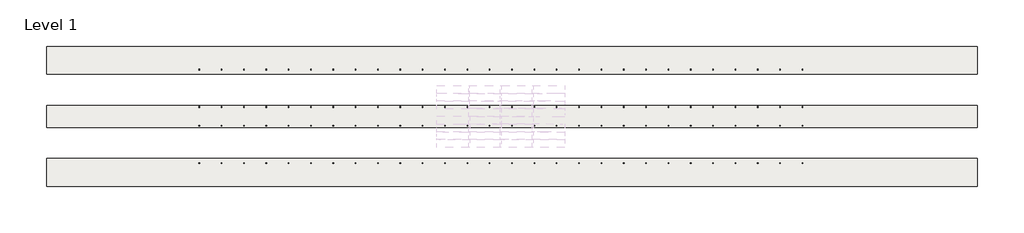
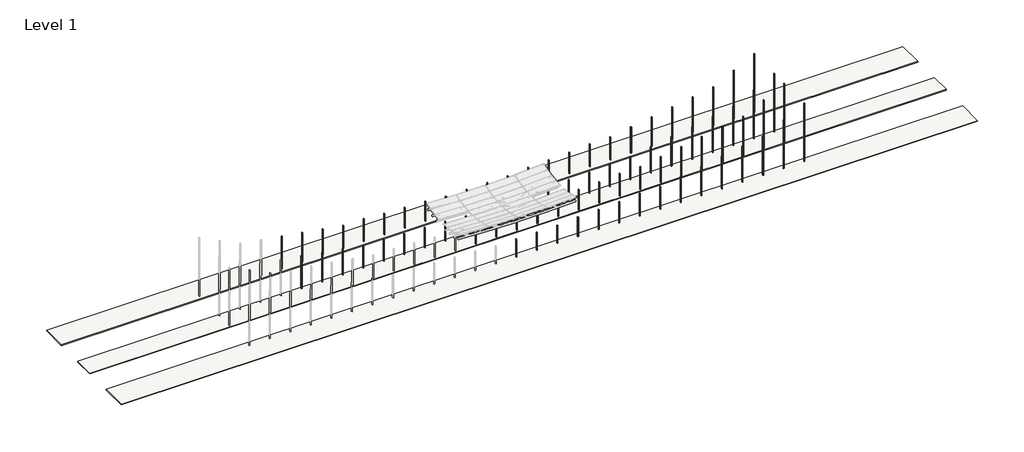
# One storey, part 2 of 2: 79 columns, 1 slab.
"""IFC4 building model written with IfcOpenShell, lengths in millimetres."""

import ifcopenshell
import ifcopenshell.guid

model = None  # the IFC model being written
_history = None  # IfcOwnerHistory: only IFC2X3 demands one
_inside = {}  # id of a spatial element -> (the spatial element, [elements in it])
_under = {}  # id of a project, library or spatial element -> (it, [spatial elements below it])
_declared = {}  # id of a project -> (the project, [libraries it declares])
_typed = {}  # id of a type object -> (the type object, [elements of that type])
_made_of = {}  # id of a material, layer set ... -> (it, [elements and type objects made of it])


def new_model(schema):
    """Start an empty IFC model of exactly this schema.

    Asked for "IFC4X3", IfcOpenShell would pick the latest addendum, in which some entities
    have other attributes; the version numbers below select the first issue.
    IFC2X3 requires an IfcOwnerHistory on every rooted entity: one is made here for all.
    """
    global model, _history
    if schema == "IFC4X3":
        model = ifcopenshell.file(schema_version=(4, 3, 0, 0))
    else:
        model = ifcopenshell.file(schema=schema)
    _inside.clear()
    _under.clear()
    _declared.clear()
    _typed.clear()
    _made_of.clear()
    _history = None
    if model.schema == "IFC2X3":
        org = make("IfcOrganization", Name="unknown")
        user = make(
            "IfcPersonAndOrganization",
            ThePerson=make("IfcPerson", FamilyName="unknown"),
            TheOrganization=org,
        )
        app = make(
            "IfcApplication",
            ApplicationDeveloper=org,
            Version="unknown",
            ApplicationFullName="unknown",
            ApplicationIdentifier="unknown",
        )
        _history = make(
            "IfcOwnerHistory",
            OwningUser=user,
            OwningApplication=app,
            ChangeAction="ADDED",
            CreationDate=0,
        )
    return model


def make(cls, **values):
    """One entity of the class cls with the attributes given. An attribute that is None is left unset."""
    return model.create_entity(
        cls, **{name: value for name, value in values.items() if value is not None}
    )


def rooted(cls, **values):
    """An entity with a GlobalId (a new one), such as an element, a storey or a relation."""
    return make(cls, GlobalId=ifcopenshell.guid.new(), OwnerHistory=_history, **values)


def si_unit(unit_type, name, prefix=None):
    """IfcSIUnit, for example si_unit("LENGTHUNIT", "METRE", prefix="MILLI")."""
    return make("IfcSIUnit", UnitType=unit_type, Prefix=prefix, Name=name)


def assignment(units):
    """IfcUnitAssignment: the units of a project."""
    return None if units is None else make("IfcUnitAssignment", Units=units)


def point(xyz):
    """IfcCartesianPoint."""
    return None if xyz is None else make("IfcCartesianPoint", Coordinates=xyz)


def direction(xyz):
    """IfcDirection."""
    return None if xyz is None else make("IfcDirection", DirectionRatios=xyz)


def frame(location, z_axis=None, x_axis=None):
    """IfcAxis2Placement3D, a coordinate frame: its origin and axes. An axis left out is left unset."""
    return make(
        "IfcAxis2Placement3D",
        Location=point(location),
        Axis=direction(z_axis),
        RefDirection=direction(x_axis),
    )


def frame_2d(location, x_axis=None):
    """IfcAxis2Placement2D, a coordinate frame in the plane: its origin and x axis."""
    return make(
        "IfcAxis2Placement2D", Location=point(location), RefDirection=direction(x_axis)
    )


def origin():
    """The frame at (0, 0, 0) with its axes left unset."""
    return frame((0.0, 0.0, 0.0))


def origin_with_axes():
    """The frame at (0, 0, 0) with the z axis (0, 0, 1) and the x axis (1, 0, 0) written out."""
    return frame((0.0, 0.0, 0.0), z_axis=(0.0, 0.0, 1.0), x_axis=(1.0, 0.0, 0.0))


def place(relative_to, where):
    """IfcLocalPlacement: puts the frame where relative to a parent placement (None: the world)."""
    return make(
        "IfcLocalPlacement", PlacementRelTo=relative_to, RelativePlacement=where
    )


def context(
    kind, dimensions, precision=None, world=None, true_north=None, identifier=None
):
    """IfcGeometricRepresentationContext, for example the 3D "Model" context."""
    return make(
        "IfcGeometricRepresentationContext",
        ContextIdentifier=identifier,
        ContextType=kind,
        CoordinateSpaceDimension=dimensions,
        Precision=precision,
        WorldCoordinateSystem=world,
        TrueNorth=true_north,
    )


def project(units=None, contexts=None):
    """IfcProject with its units and contexts."""
    return rooted(
        "IfcProject",
        Name="project",
        RepresentationContexts=contexts,
        UnitsInContext=assignment(units),
    )


def spatial(cls, under=None, at=None, **own):
    """A site, building, storey or space (cls), placed at a placement, below another one or the project."""
    s = rooted(cls, ObjectPlacement=at, **own)
    if under is not None:
        _under.setdefault(under.id(), (under, []))[1].append(s)
    return s


def polyline(points):
    """IfcPolyline through the points."""
    return make("IfcPolyline", Points=[point(p) for p in points])


def circle_curve(where, radius):
    """IfcCircle in the frame where."""
    return make("IfcCircle", Position=where, Radius=radius)


def trimmed(basis, trim1, trim2, sense, master):
    """IfcTrimmedCurve: the piece of a basis curve between two trims."""
    return make(
        "IfcTrimmedCurve",
        BasisCurve=basis,
        Trim1=trim1,
        Trim2=trim2,
        SenseAgreement=sense,
        MasterRepresentation=master,
    )


def segment(curve, same_sense, transition):
    """IfcCompositeCurveSegment."""
    return make(
        "IfcCompositeCurveSegment",
        Transition=transition,
        SameSense=same_sense,
        ParentCurve=curve,
    )


def composite_curve(segments, self_intersect=None):
    """IfcCompositeCurve: segments joined end to end."""
    return make("IfcCompositeCurve", Segments=segments, SelfIntersect=self_intersect)


def outline(outer, holes=None, kind="AREA"):
    """IfcArbitraryClosedProfileDef: a profile drawn as a closed curve; with holes, ...WithVoids."""
    if holes is None:
        return make("IfcArbitraryClosedProfileDef", ProfileType=kind, OuterCurve=outer)
    return make(
        "IfcArbitraryProfileDefWithVoids",
        ProfileType=kind,
        OuterCurve=outer,
        InnerCurves=holes,
    )


def extrude(swept, where, along, depth):
    """IfcExtrudedAreaSolid: the profile swept, set in the frame where, extruded along a direction by depth."""
    return make(
        "IfcExtrudedAreaSolid",
        SweptArea=swept,
        Position=where,
        ExtrudedDirection=direction(along),
        Depth=depth,
    )


def shape(context_of_items, identifier, shape_type, items):
    """IfcShapeRepresentation: the items that make up one representation, for example the "Body"."""
    return make(
        "IfcShapeRepresentation",
        ContextOfItems=context_of_items,
        RepresentationIdentifier=identifier,
        RepresentationType=shape_type,
        Items=items,
    )


def source(mapping_origin, context_of_items, identifier, shape_type, items):
    """IfcRepresentationMap: a shape defined once, which mapped items show again and again."""
    return make(
        "IfcRepresentationMap",
        MappingOrigin=mapping_origin,
        MappedRepresentation=shape(context_of_items, identifier, shape_type, items),
    )


def transform(
    local_origin,
    x_axis=None,
    y_axis=None,
    z_axis=None,
    scale=None,
    scale2=None,
    scale3=None,
    uniform=True,
):
    """IfcCartesianTransformationOperator3D, or its non-uniform kind. x_axis, y_axis, z_axis: its Axis1, 2, 3."""
    if uniform:
        return make(
            "IfcCartesianTransformationOperator3D",
            Axis1=direction(x_axis),
            Axis2=direction(y_axis),
            LocalOrigin=point(local_origin),
            Scale=scale,
            Axis3=direction(z_axis),
        )
    return make(
        "IfcCartesianTransformationOperator3DnonUniform",
        Axis1=direction(x_axis),
        Axis2=direction(y_axis),
        LocalOrigin=point(local_origin),
        Scale=scale,
        Axis3=direction(z_axis),
        Scale2=scale2,
        Scale3=scale3,
    )


def mapped(mapping_source, mapping_target):
    """IfcMappedItem: shows the shape of a source again, moved by a transform."""
    return make(
        "IfcMappedItem", MappingSource=mapping_source, MappingTarget=mapping_target
    )


def made_of(thing, what):
    """Note that an element or type object is made of a material, layer set ...; save() writes the relation."""
    if what is not None:
        _made_of.setdefault(what.id(), (what, []))[1].append(thing)
    return thing


def element(
    cls,
    number,
    at=None,
    inside=None,
    cuts=None,
    type_object=None,
    material=None,
    context=None,
    identifier="Body",
    shape_type=None,
    held_by="IfcProductDefinitionShape",
    body=None,
    shapes=None,
    **own,
):
    """One element of the class cls, such as IfcWall. Its Tag is "e" and its number.

    at: its placement. inside: the storey or other place that contains it. cuts: it is an
    opening in that element (IfcRelVoidsElement). A single representation is given by context,
    identifier, shape_type and body (its items); several are given by shapes. held_by: the class
    of the entity that holds the representations. save() writes the other relations.
    """
    e = rooted(cls, Tag="e%d" % number, ObjectPlacement=at, **own)
    if body is not None:
        shapes = [shape(context, identifier, shape_type, body)]
    if shapes is not None:
        e.Representation = make(held_by, Representations=shapes)
    if inside is not None:
        _inside.setdefault(inside.id(), (inside, []))[1].append(e)
    if cuts is not None:
        rooted(
            "IfcRelVoidsElement", RelatingBuildingElement=cuts, RelatedOpeningElement=e
        )
    if type_object is not None:
        _typed.setdefault(type_object.id(), (type_object, []))[1].append(e)
    return made_of(e, material)


def aggregate(whole, parts):
    """IfcRelAggregates: a whole, such as a stair, and the parts it consists of."""
    return rooted("IfcRelAggregates", RelatingObject=whole, RelatedObjects=parts)


def save(model, path):
    """Write the relations noted so far, then the file.

    IfcRelAggregates (storeys below a building ...), IfcRelContainedInSpatialStructure (elements
    in a storey), IfcRelDefinesByType, IfcRelAssociatesMaterial and IfcRelDeclares: one each for
    every whole, place, type object, material and project.
    """
    for whole, parts in _under.values():
        aggregate(whole, parts)
    for where, things in _inside.values():
        rooted(
            "IfcRelContainedInSpatialStructure",
            RelatedElements=things,
            RelatingStructure=where,
        )
    for kind, things in _typed.values():
        rooted("IfcRelDefinesByType", RelatedObjects=things, RelatingType=kind)
    for what, things in _made_of.values():
        rooted("IfcRelAssociatesMaterial", RelatedObjects=things, RelatingMaterial=what)
    for by, libraries in _declared.values():
        rooted("IfcRelDeclares", RelatingContext=by, RelatedDefinitions=libraries)
    model.write(path)


def w_shapes_column_w12x40_c7d2e5f9(model_context):
    return source(origin(), model_context, "Body", "SweptSolid", [
        extrude(outline(composite_curve([segment(polyline([(101.727, 151.13), (101.727, 138.049), (16.5735, 138.049)]), True, "CONTINUOUS"), segment(trimmed(circle_curve(frame_2d((16.5735, 125.222)), 12.827), [point((16.5735, 138.049))], [point((3.7465, 125.222))], True, "CARTESIAN"), True, "CONTINUOUS"), segment(polyline([(3.7465, 125.222), (3.7465, -125.222)]), True, "CONTINUOUS"), segment(trimmed(circle_curve(frame_2d((16.5735, -125.222)), 12.827), [point((3.7465, -125.222))], [point((16.5735, -138.049))], True, "CARTESIAN"), True, "CONTINUOUS"), segment(polyline([(16.5735, -138.049), (101.727, -138.049), (101.727, -151.13), (-101.727, -151.13), (-101.727, -138.049), (-16.5735, -138.049)]), True, "CONTINUOUS"), segment(trimmed(circle_curve(frame_2d((-16.5735, -125.222)), 12.827), [point((-16.5735, -138.049))], [point((-3.7465, -125.222))], True, "CARTESIAN"), True, "CONTINUOUS"), segment(polyline([(-3.7465, -125.222), (-3.7465, 125.222)]), True, "CONTINUOUS"), segment(trimmed(circle_curve(frame_2d((-16.5735, 125.222)), 12.827), [point((-3.7465, 125.222))], [point((-16.5735, 138.049))], True, "CARTESIAN"), True, "CONTINUOUS"), segment(polyline([(-16.5735, 138.049), (-101.727, 138.049), (-101.727, 151.13), (101.727, 151.13)]), True, "CONTINUOUS")], self_intersect=False)), origin_with_axes(), (0.0, 0.0, 1.0), 6705.6),
    ])


def w_shapes_column_w12x40_aacbec59(model_context):
    return source(origin(), model_context, "Body", "SweptSolid", [
        extrude(outline(composite_curve([segment(polyline([(101.727, 151.13), (101.727, 138.049), (16.5735, 138.049)]), True, "CONTINUOUS"), segment(trimmed(circle_curve(frame_2d((16.5735, 125.222)), 12.827), [point((16.5735, 138.049))], [point((3.7465, 125.222))], True, "CARTESIAN"), True, "CONTINUOUS"), segment(polyline([(3.7465, 125.222), (3.7465, -125.222)]), True, "CONTINUOUS"), segment(trimmed(circle_curve(frame_2d((16.5735, -125.222)), 12.827), [point((3.7465, -125.222))], [point((16.5735, -138.049))], True, "CARTESIAN"), True, "CONTINUOUS"), segment(polyline([(16.5735, -138.049), (101.727, -138.049), (101.727, -151.13), (-101.727, -151.13), (-101.727, -138.049), (-16.5735, -138.049)]), True, "CONTINUOUS"), segment(trimmed(circle_curve(frame_2d((-16.5735, -125.222)), 12.827), [point((-16.5735, -138.049))], [point((-3.7465, -125.222))], True, "CARTESIAN"), True, "CONTINUOUS"), segment(polyline([(-3.7465, -125.222), (-3.7465, 125.222)]), True, "CONTINUOUS"), segment(trimmed(circle_curve(frame_2d((-16.5735, 125.222)), 12.827), [point((-3.7465, 125.222))], [point((-16.5735, 138.049))], True, "CARTESIAN"), True, "CONTINUOUS"), segment(polyline([(-16.5735, 138.049), (-101.727, 138.049), (-101.727, 151.13), (101.727, 151.13)]), True, "CONTINUOUS")], self_intersect=False)), origin_with_axes(), (0.0, 0.0, 1.0), 18288.0),
    ])


def w_shapes_column_w12x40_a8ae053b(model_context):
    return source(origin(), model_context, "Body", "SweptSolid", [
        extrude(outline(composite_curve([segment(polyline([(101.727, 151.13), (101.727, 138.049), (16.5735, 138.049)]), True, "CONTINUOUS"), segment(trimmed(circle_curve(frame_2d((16.5735, 125.222)), 12.827), [point((16.5735, 138.049))], [point((3.7465, 125.222))], True, "CARTESIAN"), True, "CONTINUOUS"), segment(polyline([(3.7465, 125.222), (3.7465, -125.222)]), True, "CONTINUOUS"), segment(trimmed(circle_curve(frame_2d((16.5735, -125.222)), 12.827), [point((3.7465, -125.222))], [point((16.5735, -138.049))], True, "CARTESIAN"), True, "CONTINUOUS"), segment(polyline([(16.5735, -138.049), (101.727, -138.049), (101.727, -151.13), (-101.727, -151.13), (-101.727, -138.049), (-16.5735, -138.049)]), True, "CONTINUOUS"), segment(trimmed(circle_curve(frame_2d((-16.5735, -125.222)), 12.827), [point((-16.5735, -138.049))], [point((-3.7465, -125.222))], True, "CARTESIAN"), True, "CONTINUOUS"), segment(polyline([(-3.7465, -125.222), (-3.7465, 125.222)]), True, "CONTINUOUS"), segment(trimmed(circle_curve(frame_2d((-16.5735, 125.222)), 12.827), [point((-3.7465, 125.222))], [point((-16.5735, 138.049))], True, "CARTESIAN"), True, "CONTINUOUS"), segment(polyline([(-16.5735, 138.049), (-101.727, 138.049), (-101.727, 151.13), (101.727, 151.13)]), True, "CONTINUOUS")], self_intersect=False)), origin_with_axes(), (0.0, 0.0, 1.0), 21945.6),
    ])


def w_shapes_column_w12x40_5997714e(model_context):
    return source(origin(), model_context, "Body", "SweptSolid", [
        extrude(outline(composite_curve([segment(polyline([(101.727, 151.13), (101.727, 138.049), (16.5735, 138.049)]), True, "CONTINUOUS"), segment(trimmed(circle_curve(frame_2d((16.5735, 125.222)), 12.827), [point((16.5735, 138.049))], [point((3.7465, 125.222))], True, "CARTESIAN"), True, "CONTINUOUS"), segment(polyline([(3.7465, 125.222), (3.7465, -125.222)]), True, "CONTINUOUS"), segment(trimmed(circle_curve(frame_2d((16.5735, -125.222)), 12.827), [point((3.7465, -125.222))], [point((16.5735, -138.049))], True, "CARTESIAN"), True, "CONTINUOUS"), segment(polyline([(16.5735, -138.049), (101.727, -138.049), (101.727, -151.13), (-101.727, -151.13), (-101.727, -138.049), (-16.5735, -138.049)]), True, "CONTINUOUS"), segment(trimmed(circle_curve(frame_2d((-16.5735, -125.222)), 12.827), [point((-16.5735, -138.049))], [point((-3.7465, -125.222))], True, "CARTESIAN"), True, "CONTINUOUS"), segment(polyline([(-3.7465, -125.222), (-3.7465, 125.222)]), True, "CONTINUOUS"), segment(trimmed(circle_curve(frame_2d((-16.5735, 125.222)), 12.827), [point((-3.7465, 125.222))], [point((-16.5735, 138.049))], True, "CARTESIAN"), True, "CONTINUOUS"), segment(polyline([(-16.5735, 138.049), (-101.727, 138.049), (-101.727, 151.13), (101.727, 151.13)]), True, "CONTINUOUS")], self_intersect=False)), origin_with_axes(), (0.0, 0.0, 1.0), 14630.4),
    ])


def w_shapes_column_w12x40_0a07f558(model_context):
    return source(origin(), model_context, "Body", "SweptSolid", [
        extrude(outline(composite_curve([segment(polyline([(101.727, 151.13), (101.727, 138.049), (16.5735, 138.049)]), True, "CONTINUOUS"), segment(trimmed(circle_curve(frame_2d((16.5735, 125.222)), 12.827), [point((16.5735, 138.049))], [point((3.7465, 125.222))], True, "CARTESIAN"), True, "CONTINUOUS"), segment(polyline([(3.7465, 125.222), (3.7465, -125.222)]), True, "CONTINUOUS"), segment(trimmed(circle_curve(frame_2d((16.5735, -125.222)), 12.827), [point((3.7465, -125.222))], [point((16.5735, -138.049))], True, "CARTESIAN"), True, "CONTINUOUS"), segment(polyline([(16.5735, -138.049), (101.727, -138.049), (101.727, -151.13), (-101.727, -151.13), (-101.727, -138.049), (-16.5735, -138.049)]), True, "CONTINUOUS"), segment(trimmed(circle_curve(frame_2d((-16.5735, -125.222)), 12.827), [point((-16.5735, -138.049))], [point((-3.7465, -125.222))], True, "CARTESIAN"), True, "CONTINUOUS"), segment(polyline([(-3.7465, -125.222), (-3.7465, 125.222)]), True, "CONTINUOUS"), segment(trimmed(circle_curve(frame_2d((-16.5735, 125.222)), 12.827), [point((-3.7465, 125.222))], [point((-16.5735, 138.049))], True, "CARTESIAN"), True, "CONTINUOUS"), segment(polyline([(-16.5735, 138.049), (-101.727, 138.049), (-101.727, 151.13), (101.727, 151.13)]), True, "CONTINUOUS")], self_intersect=False)), origin_with_axes(), (0.0, 0.0, 1.0), 13411.2),
    ])


def w_shapes_column_w12x40_c5b3876a(model_context):
    return source(origin(), model_context, "Body", "SweptSolid", [
        extrude(outline(composite_curve([segment(polyline([(101.727, 151.13), (101.727, 138.049), (16.5735, 138.049)]), True, "CONTINUOUS"), segment(trimmed(circle_curve(frame_2d((16.5735, 125.222)), 12.827), [point((16.5735, 138.049))], [point((3.7465, 125.222))], True, "CARTESIAN"), True, "CONTINUOUS"), segment(polyline([(3.7465, 125.222), (3.7465, -125.222)]), True, "CONTINUOUS"), segment(trimmed(circle_curve(frame_2d((16.5735, -125.222)), 12.827), [point((3.7465, -125.222))], [point((16.5735, -138.049))], True, "CARTESIAN"), True, "CONTINUOUS"), segment(polyline([(16.5735, -138.049), (101.727, -138.049), (101.727, -151.13), (-101.727, -151.13), (-101.727, -138.049), (-16.5735, -138.049)]), True, "CONTINUOUS"), segment(trimmed(circle_curve(frame_2d((-16.5735, -125.222)), 12.827), [point((-16.5735, -138.049))], [point((-3.7465, -125.222))], True, "CARTESIAN"), True, "CONTINUOUS"), segment(polyline([(-3.7465, -125.222), (-3.7465, 125.222)]), True, "CONTINUOUS"), segment(trimmed(circle_curve(frame_2d((-16.5735, 125.222)), 12.827), [point((-3.7465, 125.222))], [point((-16.5735, 138.049))], True, "CARTESIAN"), True, "CONTINUOUS"), segment(polyline([(-16.5735, 138.049), (-101.727, 138.049), (-101.727, 151.13), (101.727, 151.13)]), True, "CONTINUOUS")], self_intersect=False)), origin_with_axes(), (0.0, 0.0, 1.0), 12192.0),
    ])


def w_shapes_column_w12x40_af90b8c6(model_context):
    return source(origin(), model_context, "Body", "SweptSolid", [
        extrude(outline(composite_curve([segment(polyline([(101.727, 151.13), (101.727, 138.049), (16.5735, 138.049)]), True, "CONTINUOUS"), segment(trimmed(circle_curve(frame_2d((16.5735, 125.222)), 12.827), [point((16.5735, 138.049))], [point((3.7465, 125.222))], True, "CARTESIAN"), True, "CONTINUOUS"), segment(polyline([(3.7465, 125.222), (3.7465, -125.222)]), True, "CONTINUOUS"), segment(trimmed(circle_curve(frame_2d((16.5735, -125.222)), 12.827), [point((3.7465, -125.222))], [point((16.5735, -138.049))], True, "CARTESIAN"), True, "CONTINUOUS"), segment(polyline([(16.5735, -138.049), (101.727, -138.049), (101.727, -151.13), (-101.727, -151.13), (-101.727, -138.049), (-16.5735, -138.049)]), True, "CONTINUOUS"), segment(trimmed(circle_curve(frame_2d((-16.5735, -125.222)), 12.827), [point((-16.5735, -138.049))], [point((-3.7465, -125.222))], True, "CARTESIAN"), True, "CONTINUOUS"), segment(polyline([(-3.7465, -125.222), (-3.7465, 125.222)]), True, "CONTINUOUS"), segment(trimmed(circle_curve(frame_2d((-16.5735, 125.222)), 12.827), [point((-3.7465, 125.222))], [point((-16.5735, 138.049))], True, "CARTESIAN"), True, "CONTINUOUS"), segment(polyline([(-16.5735, 138.049), (-101.727, 138.049), (-101.727, 151.13), (101.727, 151.13)]), True, "CONTINUOUS")], self_intersect=False)), origin_with_axes(), (0.0, 0.0, 1.0), 10972.8),
    ])


def w_shapes_column_w12x40_78ebb36d(model_context):
    return source(origin(), model_context, "Body", "SweptSolid", [
        extrude(outline(composite_curve([segment(polyline([(101.727, 151.13), (101.727, 138.049), (16.5735, 138.049)]), True, "CONTINUOUS"), segment(trimmed(circle_curve(frame_2d((16.5735, 125.222)), 12.827), [point((16.5735, 138.049))], [point((3.7465, 125.222))], True, "CARTESIAN"), True, "CONTINUOUS"), segment(polyline([(3.7465, 125.222), (3.7465, -125.222)]), True, "CONTINUOUS"), segment(trimmed(circle_curve(frame_2d((16.5735, -125.222)), 12.827), [point((3.7465, -125.222))], [point((16.5735, -138.049))], True, "CARTESIAN"), True, "CONTINUOUS"), segment(polyline([(16.5735, -138.049), (101.727, -138.049), (101.727, -151.13), (-101.727, -151.13), (-101.727, -138.049), (-16.5735, -138.049)]), True, "CONTINUOUS"), segment(trimmed(circle_curve(frame_2d((-16.5735, -125.222)), 12.827), [point((-16.5735, -138.049))], [point((-3.7465, -125.222))], True, "CARTESIAN"), True, "CONTINUOUS"), segment(polyline([(-3.7465, -125.222), (-3.7465, 125.222)]), True, "CONTINUOUS"), segment(trimmed(circle_curve(frame_2d((-16.5735, 125.222)), 12.827), [point((-3.7465, 125.222))], [point((-16.5735, 138.049))], True, "CARTESIAN"), True, "CONTINUOUS"), segment(polyline([(-16.5735, 138.049), (-101.727, 138.049), (-101.727, 151.13), (101.727, 151.13)]), True, "CONTINUOUS")], self_intersect=False)), origin_with_axes(), (0.0, 0.0, 1.0), 8534.4),
    ])


def w_shapes_column_w12x40_ec37d06b(model_context):
    return source(origin(), model_context, "Body", "SweptSolid", [
        extrude(outline(composite_curve([segment(polyline([(101.727, 151.13), (101.727, 138.049), (16.5735, 138.049)]), True, "CONTINUOUS"), segment(trimmed(circle_curve(frame_2d((16.5735, 125.222)), 12.827), [point((16.5735, 138.049))], [point((3.7465, 125.222))], True, "CARTESIAN"), True, "CONTINUOUS"), segment(polyline([(3.7465, 125.222), (3.7465, -125.222)]), True, "CONTINUOUS"), segment(trimmed(circle_curve(frame_2d((16.5735, -125.222)), 12.827), [point((3.7465, -125.222))], [point((16.5735, -138.049))], True, "CARTESIAN"), True, "CONTINUOUS"), segment(polyline([(16.5735, -138.049), (101.727, -138.049), (101.727, -151.13), (-101.727, -151.13), (-101.727, -138.049), (-16.5735, -138.049)]), True, "CONTINUOUS"), segment(trimmed(circle_curve(frame_2d((-16.5735, -125.222)), 12.827), [point((-16.5735, -138.049))], [point((-3.7465, -125.222))], True, "CARTESIAN"), True, "CONTINUOUS"), segment(polyline([(-3.7465, -125.222), (-3.7465, 125.222)]), True, "CONTINUOUS"), segment(trimmed(circle_curve(frame_2d((-16.5735, 125.222)), 12.827), [point((-3.7465, 125.222))], [point((-16.5735, 138.049))], True, "CARTESIAN"), True, "CONTINUOUS"), segment(polyline([(-16.5735, 138.049), (-101.727, 138.049), (-101.727, 151.13), (101.727, 151.13)]), True, "CONTINUOUS")], self_intersect=False)), origin_with_axes(), (0.0, 0.0, 1.0), 7924.8),
    ])


def w_shapes_column_w12x40_58104528(model_context):
    return source(origin(), model_context, "Body", "SweptSolid", [
        extrude(outline(composite_curve([segment(polyline([(101.727, 151.13), (101.727, 138.049), (16.5735, 138.049)]), True, "CONTINUOUS"), segment(trimmed(circle_curve(frame_2d((16.5735, 125.222)), 12.827), [point((16.5735, 138.049))], [point((3.7465, 125.222))], True, "CARTESIAN"), True, "CONTINUOUS"), segment(polyline([(3.7465, 125.222), (3.7465, -125.222)]), True, "CONTINUOUS"), segment(trimmed(circle_curve(frame_2d((16.5735, -125.222)), 12.827), [point((3.7465, -125.222))], [point((16.5735, -138.049))], True, "CARTESIAN"), True, "CONTINUOUS"), segment(polyline([(16.5735, -138.049), (101.727, -138.049), (101.727, -151.13), (-101.727, -151.13), (-101.727, -138.049), (-16.5735, -138.049)]), True, "CONTINUOUS"), segment(trimmed(circle_curve(frame_2d((-16.5735, -125.222)), 12.827), [point((-16.5735, -138.049))], [point((-3.7465, -125.222))], True, "CARTESIAN"), True, "CONTINUOUS"), segment(polyline([(-3.7465, -125.222), (-3.7465, 125.222)]), True, "CONTINUOUS"), segment(trimmed(circle_curve(frame_2d((-16.5735, 125.222)), 12.827), [point((-3.7465, 125.222))], [point((-16.5735, 138.049))], True, "CARTESIAN"), True, "CONTINUOUS"), segment(polyline([(-16.5735, 138.049), (-101.727, 138.049), (-101.727, 151.13), (101.727, 151.13)]), True, "CONTINUOUS")], self_intersect=False)), origin_with_axes(), (0.0, 0.0, 1.0), 7620.0),
    ])


def w_shapes_column_w12x40_e775c8ed(model_context):
    return source(origin(), model_context, "Body", "SweptSolid", [
        extrude(outline(composite_curve([segment(polyline([(101.727, 151.13), (101.727, 138.049), (16.5735, 138.049)]), True, "CONTINUOUS"), segment(trimmed(circle_curve(frame_2d((16.5735, 125.222)), 12.827), [point((16.5735, 138.049))], [point((3.7465, 125.222))], True, "CARTESIAN"), True, "CONTINUOUS"), segment(polyline([(3.7465, 125.222), (3.7465, -125.222)]), True, "CONTINUOUS"), segment(trimmed(circle_curve(frame_2d((16.5735, -125.222)), 12.827), [point((3.7465, -125.222))], [point((16.5735, -138.049))], True, "CARTESIAN"), True, "CONTINUOUS"), segment(polyline([(16.5735, -138.049), (101.727, -138.049), (101.727, -151.13), (-101.727, -151.13), (-101.727, -138.049), (-16.5735, -138.049)]), True, "CONTINUOUS"), segment(trimmed(circle_curve(frame_2d((-16.5735, -125.222)), 12.827), [point((-16.5735, -138.049))], [point((-3.7465, -125.222))], True, "CARTESIAN"), True, "CONTINUOUS"), segment(polyline([(-3.7465, -125.222), (-3.7465, 125.222)]), True, "CONTINUOUS"), segment(trimmed(circle_curve(frame_2d((-16.5735, 125.222)), 12.827), [point((-3.7465, 125.222))], [point((-16.5735, 138.049))], True, "CARTESIAN"), True, "CONTINUOUS"), segment(polyline([(-16.5735, 138.049), (-101.727, 138.049), (-101.727, 151.13), (101.727, 151.13)]), True, "CONTINUOUS")], self_intersect=False)), origin_with_axes(), (0.0, 0.0, 1.0), 9753.6),
    ])


def w_shapes_column_w12x40_c3d6108f(model_context):
    return source(origin(), model_context, "Body", "SweptSolid", [
        extrude(outline(composite_curve([segment(polyline([(101.727, 151.13), (101.727, 138.049), (16.5735, 138.049)]), True, "CONTINUOUS"), segment(trimmed(circle_curve(frame_2d((16.5735, 125.222)), 12.827), [point((16.5735, 138.049))], [point((3.7465, 125.222))], True, "CARTESIAN"), True, "CONTINUOUS"), segment(polyline([(3.7465, 125.222), (3.7465, -125.222)]), True, "CONTINUOUS"), segment(trimmed(circle_curve(frame_2d((16.5735, -125.222)), 12.827), [point((3.7465, -125.222))], [point((16.5735, -138.049))], True, "CARTESIAN"), True, "CONTINUOUS"), segment(polyline([(16.5735, -138.049), (101.727, -138.049), (101.727, -151.13), (-101.727, -151.13), (-101.727, -138.049), (-16.5735, -138.049)]), True, "CONTINUOUS"), segment(trimmed(circle_curve(frame_2d((-16.5735, -125.222)), 12.827), [point((-16.5735, -138.049))], [point((-3.7465, -125.222))], True, "CARTESIAN"), True, "CONTINUOUS"), segment(polyline([(-3.7465, -125.222), (-3.7465, 125.222)]), True, "CONTINUOUS"), segment(trimmed(circle_curve(frame_2d((-16.5735, 125.222)), 12.827), [point((-3.7465, 125.222))], [point((-16.5735, 138.049))], True, "CARTESIAN"), True, "CONTINUOUS"), segment(polyline([(-16.5735, 138.049), (-101.727, 138.049), (-101.727, 151.13), (101.727, 151.13)]), True, "CONTINUOUS")], self_intersect=False)), origin_with_axes(), (0.0, 0.0, 1.0), 7315.2),
    ])


model = new_model("IFC4")

# Units and contexts
model_context = context("Model", 3, world=origin())
ifc_project = project(units=[si_unit("LENGTHUNIT", "METRE", prefix="MILLI")], contexts=[model_context])

# Site, building, storey
site = spatial("IfcSite", under=ifc_project)
building = spatial("IfcBuilding", under=site)
storey = spatial("IfcBuildingStorey", under=building, Name="Level 1", Elevation=0.0)

# Columns
placement = place(None, origin())
w_shapes_column_w12x40_shape = w_shapes_column_w12x40_c7d2e5f9(model_context)
element("IfcColumn", 1, ObjectType="W Shapes-Column : W12X40", at=placement, inside=storey, context=model_context, shape_type="MappedRepresentation", body=[
    mapped(w_shapes_column_w12x40_shape, transform((-66668.8875871, 45371.5809068, 0.0), x_axis=(1.0, 0.0, 0.0), y_axis=(0.0, 1.0, 0.0), z_axis=(0.0, 0.0, 1.0))),
])
element("IfcColumn", 2, ObjectType="W Shapes-Column : W12X40", at=placement, inside=storey, context=model_context, shape_type="MappedRepresentation", body=[
    mapped(w_shapes_column_w12x40_shape, transform((-59353.6875871, 45371.5809068, 0.0), x_axis=(1.0, 0.0, 0.0), y_axis=(0.0, 1.0, 0.0), z_axis=(0.0, 0.0, 1.0))),
])
element("IfcColumn", 3, ObjectType="W Shapes-Column : W12X40", at=placement, inside=storey, context=model_context, shape_type="MappedRepresentation", body=[
    mapped(w_shapes_column_w12x40_shape, transform((-52038.4875871, 45371.5809068, 0.0), x_axis=(1.0, 0.0, 0.0), y_axis=(0.0, 1.0, 0.0), z_axis=(0.0, 0.0, 1.0))),
])
element("IfcColumn", 4, ObjectType="W Shapes-Column : W12X40", at=placement, inside=storey, context=model_context, shape_type="MappedRepresentation", body=[
    mapped(w_shapes_column_w12x40_shape, transform((-44723.2875871, 45371.5809068, 0.0), x_axis=(1.0, 0.0, 0.0), y_axis=(0.0, 1.0, 0.0), z_axis=(0.0, 0.0, 1.0))),
])
element("IfcColumn", 5, ObjectType="W Shapes-Column : W12X40", at=placement, inside=storey, context=model_context, shape_type="MappedRepresentation", body=[
    mapped(w_shapes_column_w12x40_shape, transform((-66668.8875871, 33077.9809068, 0.0), x_axis=(1.0, 0.0, 0.0), y_axis=(0.0, 1.0, 0.0), z_axis=(0.0, 0.0, 1.0))),
])
element("IfcColumn", 6, ObjectType="W Shapes-Column : W12X40", at=placement, inside=storey, context=model_context, shape_type="MappedRepresentation", body=[
    mapped(w_shapes_column_w12x40_shape, transform((-59353.6875871, 33077.9809068, 0.0), x_axis=(1.0, 0.0, 0.0), y_axis=(0.0, 1.0, 0.0), z_axis=(0.0, 0.0, 1.0))),
])
element("IfcColumn", 7, ObjectType="W Shapes-Column : W12X40", at=placement, inside=storey, context=model_context, shape_type="MappedRepresentation", body=[
    mapped(w_shapes_column_w12x40_shape, transform((-52038.4875871, 33077.9809068, 0.0), x_axis=(1.0, 0.0, 0.0), y_axis=(0.0, 1.0, 0.0), z_axis=(0.0, 0.0, 1.0))),
])
element("IfcColumn", 8, ObjectType="W Shapes-Column : W12X40", at=placement, inside=storey, context=model_context, shape_type="MappedRepresentation", body=[
    mapped(w_shapes_column_w12x40_shape, transform((-44723.2875871, 33077.9809068, 0.0), x_axis=(1.0, 0.0, 0.0), y_axis=(0.0, 1.0, 0.0), z_axis=(0.0, 0.0, 1.0))),
])
element("IfcColumn", 9, ObjectType="W Shapes-Column : W12X40", at=placement, inside=storey, context=model_context, shape_type="MappedRepresentation", body=[
    mapped(w_shapes_column_w12x40_shape, transform((-66668.8875871, 26981.9809068, 0.0), x_axis=(-1.0, 0.0, 0.0), y_axis=(0.0, -1.0, 0.0), z_axis=(0.0, 0.0, 1.0))),
])
element("IfcColumn", 10, ObjectType="W Shapes-Column : W12X40", at=placement, inside=storey, context=model_context, shape_type="MappedRepresentation", body=[
    mapped(w_shapes_column_w12x40_shape, transform((-59353.6875871, 26981.9809068, 0.0), x_axis=(-1.0, 0.0, 0.0), y_axis=(0.0, -1.0, 0.0), z_axis=(0.0, 0.0, 1.0))),
])
element("IfcColumn", 11, ObjectType="W Shapes-Column : W12X40", at=placement, inside=storey, context=model_context, shape_type="MappedRepresentation", body=[
    mapped(w_shapes_column_w12x40_shape, transform((-52038.4875871, 26981.9809068, 0.0), x_axis=(-1.0, 0.0, 0.0), y_axis=(0.0, -1.0, 0.0), z_axis=(0.0, 0.0, 1.0))),
])
element("IfcColumn", 12, ObjectType="W Shapes-Column : W12X40", at=placement, inside=storey, context=model_context, shape_type="MappedRepresentation", body=[
    mapped(w_shapes_column_w12x40_shape, transform((-44723.2875871, 26981.9809068, 0.0), x_axis=(-1.0, 0.0, 0.0), y_axis=(0.0, -1.0, 0.0), z_axis=(0.0, 0.0, 1.0))),
])
element("IfcColumn", 13, ObjectType="W Shapes-Column : W12X40", at=placement, inside=storey, context=model_context, shape_type="MappedRepresentation", body=[
    mapped(w_shapes_column_w12x40_shape, transform((-59353.6875871, 14688.3809068, 0.0), x_axis=(1.0, 0.0, 0.0), y_axis=(0.0, 1.0, 0.0), z_axis=(0.0, 0.0, 1.0))),
])
element("IfcColumn", 14, ObjectType="W Shapes-Column : W12X40", at=placement, inside=storey, context=model_context, shape_type="MappedRepresentation", body=[
    mapped(w_shapes_column_w12x40_shape, transform((-52038.4875871, 14688.3809068, 0.0), x_axis=(1.0, 0.0, 0.0), y_axis=(0.0, 1.0, 0.0), z_axis=(0.0, 0.0, 1.0))),
])
element("IfcColumn", 15, ObjectType="W Shapes-Column : W12X40", at=placement, inside=storey, context=model_context, shape_type="MappedRepresentation", body=[
    mapped(w_shapes_column_w12x40_shape, transform((-44723.2875871, 14688.3809068, 0.0), x_axis=(1.0, 0.0, 0.0), y_axis=(0.0, 1.0, 0.0), z_axis=(0.0, 0.0, 1.0))),
])
w_shapes_column_w12x40_2_shape = w_shapes_column_w12x40_aacbec59(model_context)
element("IfcColumn", 16, ObjectType="W Shapes-Column : W12X40", at=placement, inside=storey, context=model_context, shape_type="MappedRepresentation", body=[
    mapped(w_shapes_column_w12x40_2_shape, transform((35743.9124129, 45371.5809068, 0.0), x_axis=(1.0, 0.0, 0.0), y_axis=(0.0, 1.0, 0.0), z_axis=(0.0, 0.0, 1.0))),
])
element("IfcColumn", 17, ObjectType="W Shapes-Column : W12X40", at=placement, inside=storey, context=model_context, shape_type="MappedRepresentation", body=[
    mapped(w_shapes_column_w12x40_2_shape, transform((35743.9124129, 33077.9809068, 0.0), x_axis=(1.0, 0.0, 0.0), y_axis=(0.0, 1.0, 0.0), z_axis=(0.0, 0.0, 1.0))),
])
element("IfcColumn", 18, ObjectType="W Shapes-Column : W12X40", at=placement, inside=storey, context=model_context, shape_type="MappedRepresentation", body=[
    mapped(w_shapes_column_w12x40_2_shape, transform((35743.9124129, 26981.9809068, 0.0), x_axis=(-1.0, 0.0, 0.0), y_axis=(0.0, -1.0, 0.0), z_axis=(0.0, 0.0, 1.0))),
])
element("IfcColumn", 19, ObjectType="W Shapes-Column : W12X40", at=placement, inside=storey, context=model_context, shape_type="MappedRepresentation", body=[
    mapped(w_shapes_column_w12x40_2_shape, transform((35743.9124129, 14688.3809068, 0.0), x_axis=(1.0, 0.0, 0.0), y_axis=(0.0, 1.0, 0.0), z_axis=(0.0, 0.0, 1.0))),
])
w_shapes_column_w12x40_3_shape = w_shapes_column_w12x40_a8ae053b(model_context)
element("IfcColumn", 20, ObjectType="W Shapes-Column : W12X40", at=placement, inside=storey, context=model_context, shape_type="MappedRepresentation", body=[
    mapped(w_shapes_column_w12x40_3_shape, transform((43059.1124129, 45371.5809068, 0.0), x_axis=(1.0, 0.0, 0.0), y_axis=(0.0, 1.0, 0.0), z_axis=(0.0, 0.0, 1.0))),
])
element("IfcColumn", 21, ObjectType="W Shapes-Column : W12X40", at=placement, inside=storey, context=model_context, shape_type="MappedRepresentation", body=[
    mapped(w_shapes_column_w12x40_3_shape, transform((43059.1124129, 33077.9809068, 0.0), x_axis=(1.0, 0.0, 0.0), y_axis=(0.0, 1.0, 0.0), z_axis=(0.0, 0.0, 1.0))),
])
element("IfcColumn", 22, ObjectType="W Shapes-Column : W12X40", at=placement, inside=storey, context=model_context, shape_type="MappedRepresentation", body=[
    mapped(w_shapes_column_w12x40_3_shape, transform((43059.1124129, 26981.9809068, 0.0), x_axis=(-1.0, 0.0, 0.0), y_axis=(0.0, -1.0, 0.0), z_axis=(0.0, 0.0, 1.0))),
])
element("IfcColumn", 23, ObjectType="W Shapes-Column : W12X40", at=placement, inside=storey, context=model_context, shape_type="MappedRepresentation", body=[
    mapped(w_shapes_column_w12x40_3_shape, transform((43059.1124129, 14688.3809068, 0.0), x_axis=(1.0, 0.0, 0.0), y_axis=(0.0, 1.0, 0.0), z_axis=(0.0, 0.0, 1.0))),
])
w_shapes_column_w12x40_4_shape = w_shapes_column_w12x40_5997714e(model_context)
element("IfcColumn", 24, ObjectType="W Shapes-Column : W12X40", at=placement, inside=storey, context=model_context, shape_type="MappedRepresentation", body=[
    mapped(w_shapes_column_w12x40_4_shape, transform((28428.7124129, 45371.5809068, 0.0), x_axis=(1.0, 0.0, 0.0), y_axis=(0.0, 1.0, 0.0), z_axis=(0.0, 0.0, 1.0))),
])
element("IfcColumn", 25, ObjectType="W Shapes-Column : W12X40", at=placement, inside=storey, context=model_context, shape_type="MappedRepresentation", body=[
    mapped(w_shapes_column_w12x40_4_shape, transform((28428.7124129, 33077.9809068, 0.0), x_axis=(1.0, 0.0, 0.0), y_axis=(0.0, 1.0, 0.0), z_axis=(0.0, 0.0, 1.0))),
])
element("IfcColumn", 26, ObjectType="W Shapes-Column : W12X40", at=placement, inside=storey, context=model_context, shape_type="MappedRepresentation", body=[
    mapped(w_shapes_column_w12x40_4_shape, transform((28428.7124129, 26981.9809068, 0.0), x_axis=(-1.0, 0.0, 0.0), y_axis=(0.0, -1.0, 0.0), z_axis=(0.0, 0.0, 1.0))),
])
element("IfcColumn", 27, ObjectType="W Shapes-Column : W12X40", at=placement, inside=storey, context=model_context, shape_type="MappedRepresentation", body=[
    mapped(w_shapes_column_w12x40_4_shape, transform((28428.7124129, 14688.3809068, 0.0), x_axis=(1.0, 0.0, 0.0), y_axis=(0.0, 1.0, 0.0), z_axis=(0.0, 0.0, 1.0))),
])
w_shapes_column_w12x40_5_shape = w_shapes_column_w12x40_0a07f558(model_context)
element("IfcColumn", 28, ObjectType="W Shapes-Column : W12X40", at=placement, inside=storey, context=model_context, shape_type="MappedRepresentation", body=[
    mapped(w_shapes_column_w12x40_5_shape, transform((21113.5124129, 45371.5809068, 0.0), x_axis=(1.0, 0.0, 0.0), y_axis=(0.0, 1.0, 0.0), z_axis=(0.0, 0.0, 1.0))),
])
element("IfcColumn", 29, ObjectType="W Shapes-Column : W12X40", at=placement, inside=storey, context=model_context, shape_type="MappedRepresentation", body=[
    mapped(w_shapes_column_w12x40_5_shape, transform((21113.5124129, 33077.9809068, 0.0), x_axis=(1.0, 0.0, 0.0), y_axis=(0.0, 1.0, 0.0), z_axis=(0.0, 0.0, 1.0))),
])
element("IfcColumn", 30, ObjectType="W Shapes-Column : W12X40", at=placement, inside=storey, context=model_context, shape_type="MappedRepresentation", body=[
    mapped(w_shapes_column_w12x40_5_shape, transform((21113.5124129, 26981.9809068, 0.0), x_axis=(-1.0, 0.0, 0.0), y_axis=(0.0, -1.0, 0.0), z_axis=(0.0, 0.0, 1.0))),
])
element("IfcColumn", 31, ObjectType="W Shapes-Column : W12X40", at=placement, inside=storey, context=model_context, shape_type="MappedRepresentation", body=[
    mapped(w_shapes_column_w12x40_5_shape, transform((21113.5124129, 14688.3809068, 0.0), x_axis=(1.0, 0.0, 0.0), y_axis=(0.0, 1.0, 0.0), z_axis=(0.0, 0.0, 1.0))),
])
w_shapes_column_w12x40_6_shape = w_shapes_column_w12x40_c5b3876a(model_context)
element("IfcColumn", 32, ObjectType="W Shapes-Column : W12X40", at=placement, inside=storey, context=model_context, shape_type="MappedRepresentation", body=[
    mapped(w_shapes_column_w12x40_6_shape, transform((-125190.4875871, 45371.5809068, 0.0), x_axis=(1.0, 0.0, 0.0), y_axis=(0.0, 1.0, 0.0), z_axis=(0.0, 0.0, 1.0))),
])
element("IfcColumn", 33, ObjectType="W Shapes-Column : W12X40", at=placement, inside=storey, context=model_context, shape_type="MappedRepresentation", body=[
    mapped(w_shapes_column_w12x40_6_shape, transform((13798.3124129, 45371.5809068, 0.0), x_axis=(1.0, 0.0, 0.0), y_axis=(0.0, 1.0, 0.0), z_axis=(0.0, 0.0, 1.0))),
])
element("IfcColumn", 34, ObjectType="W Shapes-Column : W12X40", at=placement, inside=storey, context=model_context, shape_type="MappedRepresentation", body=[
    mapped(w_shapes_column_w12x40_6_shape, transform((-125190.4875871, 33077.9809068, 0.0), x_axis=(1.0, 0.0, 0.0), y_axis=(0.0, 1.0, 0.0), z_axis=(0.0, 0.0, 1.0))),
])
element("IfcColumn", 35, ObjectType="W Shapes-Column : W12X40", at=placement, inside=storey, context=model_context, shape_type="MappedRepresentation", body=[
    mapped(w_shapes_column_w12x40_6_shape, transform((13798.3124129, 33077.9809068, 0.0), x_axis=(1.0, 0.0, 0.0), y_axis=(0.0, 1.0, 0.0), z_axis=(0.0, 0.0, 1.0))),
])
element("IfcColumn", 36, ObjectType="W Shapes-Column : W12X40", at=placement, inside=storey, context=model_context, shape_type="MappedRepresentation", body=[
    mapped(w_shapes_column_w12x40_6_shape, transform((13798.3124129, 26981.9809068, 0.0), x_axis=(-1.0, 0.0, 0.0), y_axis=(0.0, -1.0, 0.0), z_axis=(0.0, 0.0, 1.0))),
])
element("IfcColumn", 37, ObjectType="W Shapes-Column : W12X40", at=placement, inside=storey, context=model_context, shape_type="MappedRepresentation", body=[
    mapped(w_shapes_column_w12x40_6_shape, transform((13798.3124129, 14688.3809068, 0.0), x_axis=(1.0, 0.0, 0.0), y_axis=(0.0, 1.0, 0.0), z_axis=(0.0, 0.0, 1.0))),
])
w_shapes_column_w12x40_7_shape = w_shapes_column_w12x40_af90b8c6(model_context)
element("IfcColumn", 38, ObjectType="W Shapes-Column : W12X40", at=placement, inside=storey, context=model_context, shape_type="MappedRepresentation", body=[
    mapped(w_shapes_column_w12x40_7_shape, transform((-117875.2875871, 45371.5809068, 0.0), x_axis=(1.0, 0.0, 0.0), y_axis=(0.0, 1.0, 0.0), z_axis=(0.0, 0.0, 1.0))),
])
element("IfcColumn", 39, ObjectType="W Shapes-Column : W12X40", at=placement, inside=storey, context=model_context, shape_type="MappedRepresentation", body=[
    mapped(w_shapes_column_w12x40_7_shape, transform((6483.1124129, 45371.5809068, 0.0), x_axis=(1.0, 0.0, 0.0), y_axis=(0.0, 1.0, 0.0), z_axis=(0.0, 0.0, 1.0))),
])
element("IfcColumn", 40, ObjectType="W Shapes-Column : W12X40", at=placement, inside=storey, context=model_context, shape_type="MappedRepresentation", body=[
    mapped(w_shapes_column_w12x40_7_shape, transform((-117875.2875871, 33077.9809068, 0.0), x_axis=(1.0, 0.0, 0.0), y_axis=(0.0, 1.0, 0.0), z_axis=(0.0, 0.0, 1.0))),
])
element("IfcColumn", 41, ObjectType="W Shapes-Column : W12X40", at=placement, inside=storey, context=model_context, shape_type="MappedRepresentation", body=[
    mapped(w_shapes_column_w12x40_7_shape, transform((6483.1124129, 33077.9809068, 0.0), x_axis=(1.0, 0.0, 0.0), y_axis=(0.0, 1.0, 0.0), z_axis=(0.0, 0.0, 1.0))),
])
element("IfcColumn", 42, ObjectType="W Shapes-Column : W12X40", at=placement, inside=storey, context=model_context, shape_type="MappedRepresentation", body=[
    mapped(w_shapes_column_w12x40_7_shape, transform((6483.1124129, 26981.9809068, 0.0), x_axis=(-1.0, 0.0, 0.0), y_axis=(0.0, -1.0, 0.0), z_axis=(0.0, 0.0, 1.0))),
])
element("IfcColumn", 43, ObjectType="W Shapes-Column : W12X40", at=placement, inside=storey, context=model_context, shape_type="MappedRepresentation", body=[
    mapped(w_shapes_column_w12x40_7_shape, transform((6483.1124129, 14688.3809068, 0.0), x_axis=(1.0, 0.0, 0.0), y_axis=(0.0, 1.0, 0.0), z_axis=(0.0, 0.0, 1.0))),
])
w_shapes_column_w12x40_8_shape = w_shapes_column_w12x40_78ebb36d(model_context)
element("IfcColumn", 44, ObjectType="W Shapes-Column : W12X40", at=placement, inside=storey, context=model_context, shape_type="MappedRepresentation", body=[
    mapped(w_shapes_column_w12x40_8_shape, transform((-103244.8875871, 45371.5809068, 0.0), x_axis=(1.0, 0.0, 0.0), y_axis=(0.0, 1.0, 0.0), z_axis=(0.0, 0.0, 1.0))),
])
element("IfcColumn", 45, ObjectType="W Shapes-Column : W12X40", at=placement, inside=storey, context=model_context, shape_type="MappedRepresentation", body=[
    mapped(w_shapes_column_w12x40_8_shape, transform((-95929.6875871, 45371.5809068, 0.0), x_axis=(1.0, 0.0, 0.0), y_axis=(0.0, 1.0, 0.0), z_axis=(0.0, 0.0, 1.0))),
])
element("IfcColumn", 46, ObjectType="W Shapes-Column : W12X40", at=placement, inside=storey, context=model_context, shape_type="MappedRepresentation", body=[
    mapped(w_shapes_column_w12x40_8_shape, transform((-15462.4875871, 45371.5809068, 0.0), x_axis=(1.0, 0.0, 0.0), y_axis=(0.0, 1.0, 0.0), z_axis=(0.0, 0.0, 1.0))),
])
element("IfcColumn", 47, ObjectType="W Shapes-Column : W12X40", at=placement, inside=storey, context=model_context, shape_type="MappedRepresentation", body=[
    mapped(w_shapes_column_w12x40_8_shape, transform((-8147.2875871, 45371.5809068, 0.0), x_axis=(1.0, 0.0, 0.0), y_axis=(0.0, 1.0, 0.0), z_axis=(0.0, 0.0, 1.0))),
])
element("IfcColumn", 48, ObjectType="W Shapes-Column : W12X40", at=placement, inside=storey, context=model_context, shape_type="MappedRepresentation", body=[
    mapped(w_shapes_column_w12x40_8_shape, transform((-103244.8875871, 33077.9809068, 0.0), x_axis=(1.0, 0.0, 0.0), y_axis=(0.0, 1.0, 0.0), z_axis=(0.0, 0.0, 1.0))),
])
element("IfcColumn", 49, ObjectType="W Shapes-Column : W12X40", at=placement, inside=storey, context=model_context, shape_type="MappedRepresentation", body=[
    mapped(w_shapes_column_w12x40_8_shape, transform((-95929.6875871, 33077.9809068, 0.0), x_axis=(1.0, 0.0, 0.0), y_axis=(0.0, 1.0, 0.0), z_axis=(0.0, 0.0, 1.0))),
])
element("IfcColumn", 50, ObjectType="W Shapes-Column : W12X40", at=placement, inside=storey, context=model_context, shape_type="MappedRepresentation", body=[
    mapped(w_shapes_column_w12x40_8_shape, transform((-15462.4875871, 33077.9809068, 0.0), x_axis=(1.0, 0.0, 0.0), y_axis=(0.0, 1.0, 0.0), z_axis=(0.0, 0.0, 1.0))),
])
element("IfcColumn", 51, ObjectType="W Shapes-Column : W12X40", at=placement, inside=storey, context=model_context, shape_type="MappedRepresentation", body=[
    mapped(w_shapes_column_w12x40_8_shape, transform((-8147.2875871, 33077.9809068, 0.0), x_axis=(1.0, 0.0, 0.0), y_axis=(0.0, 1.0, 0.0), z_axis=(0.0, 0.0, 1.0))),
])
element("IfcColumn", 52, ObjectType="W Shapes-Column : W12X40", at=placement, inside=storey, context=model_context, shape_type="MappedRepresentation", body=[
    mapped(w_shapes_column_w12x40_8_shape, transform((-15462.4875871, 26981.9809068, 0.0), x_axis=(-1.0, 0.0, 0.0), y_axis=(0.0, -1.0, 0.0), z_axis=(0.0, 0.0, 1.0))),
])
element("IfcColumn", 53, ObjectType="W Shapes-Column : W12X40", at=placement, inside=storey, context=model_context, shape_type="MappedRepresentation", body=[
    mapped(w_shapes_column_w12x40_8_shape, transform((-8147.2875871, 26981.9809068, 0.0), x_axis=(-1.0, 0.0, 0.0), y_axis=(0.0, -1.0, 0.0), z_axis=(0.0, 0.0, 1.0))),
])
element("IfcColumn", 54, ObjectType="W Shapes-Column : W12X40", at=placement, inside=storey, context=model_context, shape_type="MappedRepresentation", body=[
    mapped(w_shapes_column_w12x40_8_shape, transform((-15462.4875871, 14688.3809068, 0.0), x_axis=(1.0, 0.0, 0.0), y_axis=(0.0, 1.0, 0.0), z_axis=(0.0, 0.0, 1.0))),
])
element("IfcColumn", 55, ObjectType="W Shapes-Column : W12X40", at=placement, inside=storey, context=model_context, shape_type="MappedRepresentation", body=[
    mapped(w_shapes_column_w12x40_8_shape, transform((-8147.2875871, 14688.3809068, 0.0), x_axis=(1.0, 0.0, 0.0), y_axis=(0.0, 1.0, 0.0), z_axis=(0.0, 0.0, 1.0))),
])
w_shapes_column_w12x40_9_shape = w_shapes_column_w12x40_ec37d06b(model_context)
element("IfcColumn", 56, ObjectType="W Shapes-Column : W12X40", at=placement, inside=storey, context=model_context, shape_type="MappedRepresentation", body=[
    mapped(w_shapes_column_w12x40_9_shape, transform((-88614.4875871, 45371.5809068, 0.0), x_axis=(1.0, 0.0, 0.0), y_axis=(0.0, 1.0, 0.0), z_axis=(0.0, 0.0, 1.0))),
])
element("IfcColumn", 57, ObjectType="W Shapes-Column : W12X40", at=placement, inside=storey, context=model_context, shape_type="MappedRepresentation", body=[
    mapped(w_shapes_column_w12x40_9_shape, transform((-22777.6875871, 45371.5809068, 0.0), x_axis=(1.0, 0.0, 0.0), y_axis=(0.0, 1.0, 0.0), z_axis=(0.0, 0.0, 1.0))),
])
element("IfcColumn", 58, ObjectType="W Shapes-Column : W12X40", at=placement, inside=storey, context=model_context, shape_type="MappedRepresentation", body=[
    mapped(w_shapes_column_w12x40_9_shape, transform((-88614.4875871, 33077.9809068, 0.0), x_axis=(1.0, 0.0, 0.0), y_axis=(0.0, 1.0, 0.0), z_axis=(0.0, 0.0, 1.0))),
])
element("IfcColumn", 59, ObjectType="W Shapes-Column : W12X40", at=placement, inside=storey, context=model_context, shape_type="MappedRepresentation", body=[
    mapped(w_shapes_column_w12x40_9_shape, transform((-22777.6875871, 33077.9809068, 0.0), x_axis=(1.0, 0.0, 0.0), y_axis=(0.0, 1.0, 0.0), z_axis=(0.0, 0.0, 1.0))),
])
element("IfcColumn", 60, ObjectType="W Shapes-Column : W12X40", at=placement, inside=storey, context=model_context, shape_type="MappedRepresentation", body=[
    mapped(w_shapes_column_w12x40_9_shape, transform((-22777.6875871, 26981.9809068, 0.0), x_axis=(-1.0, 0.0, 0.0), y_axis=(0.0, -1.0, 0.0), z_axis=(0.0, 0.0, 1.0))),
])
element("IfcColumn", 61, ObjectType="W Shapes-Column : W12X40", at=placement, inside=storey, context=model_context, shape_type="MappedRepresentation", body=[
    mapped(w_shapes_column_w12x40_9_shape, transform((-22777.6875871, 14688.3809068, 0.0), x_axis=(1.0, 0.0, 0.0), y_axis=(0.0, 1.0, 0.0), z_axis=(0.0, 0.0, 1.0))),
])
w_shapes_column_w12x40_10_shape = w_shapes_column_w12x40_58104528(model_context)
element("IfcColumn", 62, ObjectType="W Shapes-Column : W12X40", at=placement, inside=storey, context=model_context, shape_type="MappedRepresentation", body=[
    mapped(w_shapes_column_w12x40_10_shape, transform((-81299.2875871, 45371.5809068, 0.0), x_axis=(1.0, 0.0, 0.0), y_axis=(0.0, 1.0, 0.0), z_axis=(0.0, 0.0, 1.0))),
])
element("IfcColumn", 63, ObjectType="W Shapes-Column : W12X40", at=placement, inside=storey, context=model_context, shape_type="MappedRepresentation", body=[
    mapped(w_shapes_column_w12x40_10_shape, transform((-30092.8875871, 45371.5809068, 0.0), x_axis=(1.0, 0.0, 0.0), y_axis=(0.0, 1.0, 0.0), z_axis=(0.0, 0.0, 1.0))),
])
element("IfcColumn", 64, ObjectType="W Shapes-Column : W12X40", at=placement, inside=storey, context=model_context, shape_type="MappedRepresentation", body=[
    mapped(w_shapes_column_w12x40_10_shape, transform((-81299.2875871, 33077.9809068, 0.0), x_axis=(1.0, 0.0, 0.0), y_axis=(0.0, 1.0, 0.0), z_axis=(0.0, 0.0, 1.0))),
])
element("IfcColumn", 65, ObjectType="W Shapes-Column : W12X40", at=placement, inside=storey, context=model_context, shape_type="MappedRepresentation", body=[
    mapped(w_shapes_column_w12x40_10_shape, transform((-30092.8875871, 33077.9809068, 0.0), x_axis=(1.0, 0.0, 0.0), y_axis=(0.0, 1.0, 0.0), z_axis=(0.0, 0.0, 1.0))),
])
element("IfcColumn", 66, ObjectType="W Shapes-Column : W12X40", at=placement, inside=storey, context=model_context, shape_type="MappedRepresentation", body=[
    mapped(w_shapes_column_w12x40_10_shape, transform((-30092.8875871, 26981.9809068, 0.0), x_axis=(-1.0, 0.0, 0.0), y_axis=(0.0, -1.0, 0.0), z_axis=(0.0, 0.0, 1.0))),
])
element("IfcColumn", 67, ObjectType="W Shapes-Column : W12X40", at=placement, inside=storey, context=model_context, shape_type="MappedRepresentation", body=[
    mapped(w_shapes_column_w12x40_10_shape, transform((-30092.8875871, 14688.3809068, 0.0), x_axis=(1.0, 0.0, 0.0), y_axis=(0.0, 1.0, 0.0), z_axis=(0.0, 0.0, 1.0))),
])
w_shapes_column_w12x40_11_shape = w_shapes_column_w12x40_e775c8ed(model_context)
element("IfcColumn", 68, ObjectType="W Shapes-Column : W12X40", at=placement, inside=storey, context=model_context, shape_type="MappedRepresentation", body=[
    mapped(w_shapes_column_w12x40_11_shape, transform((-110560.0875871, 45371.5809068, 0.0), x_axis=(1.0, 0.0, 0.0), y_axis=(0.0, 1.0, 0.0), z_axis=(0.0, 0.0, 1.0))),
])
element("IfcColumn", 69, ObjectType="W Shapes-Column : W12X40", at=placement, inside=storey, context=model_context, shape_type="MappedRepresentation", body=[
    mapped(w_shapes_column_w12x40_11_shape, transform((-832.0875871, 45371.5809068, 0.0), x_axis=(1.0, 0.0, 0.0), y_axis=(0.0, 1.0, 0.0), z_axis=(0.0, 0.0, 1.0))),
])
element("IfcColumn", 70, ObjectType="W Shapes-Column : W12X40", at=placement, inside=storey, context=model_context, shape_type="MappedRepresentation", body=[
    mapped(w_shapes_column_w12x40_11_shape, transform((-110560.0875871, 33077.9809068, 0.0), x_axis=(1.0, 0.0, 0.0), y_axis=(0.0, 1.0, 0.0), z_axis=(0.0, 0.0, 1.0))),
])
element("IfcColumn", 71, ObjectType="W Shapes-Column : W12X40", at=placement, inside=storey, context=model_context, shape_type="MappedRepresentation", body=[
    mapped(w_shapes_column_w12x40_11_shape, transform((-832.0875871, 33077.9809068, 0.0), x_axis=(1.0, 0.0, 0.0), y_axis=(0.0, 1.0, 0.0), z_axis=(0.0, 0.0, 1.0))),
])
element("IfcColumn", 72, ObjectType="W Shapes-Column : W12X40", at=placement, inside=storey, context=model_context, shape_type="MappedRepresentation", body=[
    mapped(w_shapes_column_w12x40_11_shape, transform((-832.0875871, 26981.9809068, 0.0), x_axis=(-1.0, 0.0, 0.0), y_axis=(0.0, -1.0, 0.0), z_axis=(0.0, 0.0, 1.0))),
])
element("IfcColumn", 73, ObjectType="W Shapes-Column : W12X40", at=placement, inside=storey, context=model_context, shape_type="MappedRepresentation", body=[
    mapped(w_shapes_column_w12x40_11_shape, transform((-832.0875871, 14688.3809068, 0.0), x_axis=(1.0, 0.0, 0.0), y_axis=(0.0, 1.0, 0.0), z_axis=(0.0, 0.0, 1.0))),
])
w_shapes_column_w12x40_12_shape = w_shapes_column_w12x40_c3d6108f(model_context)
element("IfcColumn", 74, ObjectType="W Shapes-Column : W12X40", at=placement, inside=storey, context=model_context, shape_type="MappedRepresentation", body=[
    mapped(w_shapes_column_w12x40_12_shape, transform((-73984.0875871, 45371.5809068, 0.0), x_axis=(1.0, 0.0, 0.0), y_axis=(0.0, 1.0, 0.0), z_axis=(0.0, 0.0, 1.0))),
])
element("IfcColumn", 75, ObjectType="W Shapes-Column : W12X40", at=placement, inside=storey, context=model_context, shape_type="MappedRepresentation", body=[
    mapped(w_shapes_column_w12x40_12_shape, transform((-37408.0875871, 45371.5809068, 0.0), x_axis=(1.0, 0.0, 0.0), y_axis=(0.0, 1.0, 0.0), z_axis=(0.0, 0.0, 1.0))),
])
element("IfcColumn", 76, ObjectType="W Shapes-Column : W12X40", at=placement, inside=storey, context=model_context, shape_type="MappedRepresentation", body=[
    mapped(w_shapes_column_w12x40_12_shape, transform((-73984.0875871, 33077.9809068, 0.0), x_axis=(1.0, 0.0, 0.0), y_axis=(0.0, 1.0, 0.0), z_axis=(0.0, 0.0, 1.0))),
])
element("IfcColumn", 77, ObjectType="W Shapes-Column : W12X40", at=placement, inside=storey, context=model_context, shape_type="MappedRepresentation", body=[
    mapped(w_shapes_column_w12x40_12_shape, transform((-37408.0875871, 33077.9809068, 0.0), x_axis=(1.0, 0.0, 0.0), y_axis=(0.0, 1.0, 0.0), z_axis=(0.0, 0.0, 1.0))),
])
element("IfcColumn", 78, ObjectType="W Shapes-Column : W12X40", at=placement, inside=storey, context=model_context, shape_type="MappedRepresentation", body=[
    mapped(w_shapes_column_w12x40_12_shape, transform((-37408.0875871, 26981.9809068, 0.0), x_axis=(-1.0, 0.0, 0.0), y_axis=(0.0, -1.0, 0.0), z_axis=(0.0, 0.0, 1.0))),
])
element("IfcColumn", 79, ObjectType="W Shapes-Column : W12X40", at=placement, inside=storey, context=model_context, shape_type="MappedRepresentation", body=[
    mapped(w_shapes_column_w12x40_12_shape, transform((-37408.0875871, 14688.3809068, 0.0), x_axis=(1.0, 0.0, 0.0), y_axis=(0.0, 1.0, 0.0), z_axis=(0.0, 0.0, 1.0))),
])

# Slab
element("IfcSlab", 80, ObjectType="12\" Foundation Slab", at=placement, inside=storey, context=model_context, shape_type="SweptSolid", body=[
    extrude(outline(polyline([(100361.5124129, 52991.5809068), (100361.5124129, 43847.5809068), (-204438.4875871, 43847.5809068), (-204438.4875871, 52991.5809068), (100361.5124129, 52991.5809068)])), frame((0.0, 0.0, -304.8), z_axis=(0.0, 0.0, 1.0), x_axis=(1.0, 0.0, 0.0)), (0.0, 0.0, 1.0), 304.8),
    extrude(outline(polyline([(100361.5124129, 7068.3809068), (-204438.4875871, 7068.3809068), (-204438.4875871, 16212.3809068), (100361.5124129, 16212.3809068), (100361.5124129, 7068.3809068)])), frame((0.0, 0.0, -304.8), z_axis=(0.0, 0.0, 1.0), x_axis=(1.0, 0.0, 0.0)), (0.0, 0.0, 1.0), 304.8),
    extrude(outline(polyline([(100361.5124129, 33687.5809068), (100361.5124129, 26372.3809068), (-204438.4875871, 26372.3809068), (-204438.4875871, 33687.5809068), (100361.5124129, 33687.5809068)])), frame((0.0, 0.0, -304.8), z_axis=(0.0, 0.0, 1.0), x_axis=(1.0, 0.0, 0.0)), (0.0, 0.0, 1.0), 304.8),
])

save(model, "model.ifc")
